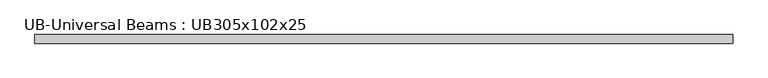
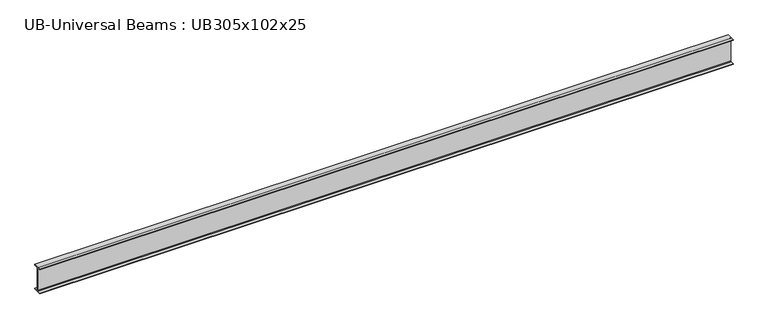
"""IFC4 building model written with IfcOpenShell, lengths in millimetres: beam geometry, UB-Universal Beams : UB305x102x25."""

import ifcopenshell
import ifcopenshell.guid

model = None  # the IFC model being written
_history = None  # IfcOwnerHistory: only IFC2X3 demands one
_inside = {}  # id of a spatial element -> (the spatial element, [elements in it])
_under = {}  # id of a project, library or spatial element -> (it, [spatial elements below it])
_declared = {}  # id of a project -> (the project, [libraries it declares])
_typed = {}  # id of a type object -> (the type object, [elements of that type])
_made_of = {}  # id of a material, layer set ... -> (it, [elements and type objects made of it])


def new_model(schema):
    """Start an empty IFC model of exactly this schema.

    Asked for "IFC4X3", IfcOpenShell would pick the latest addendum, in which some entities
    have other attributes; the version numbers below select the first issue.
    IFC2X3 requires an IfcOwnerHistory on every rooted entity: one is made here for all.
    """
    global model, _history
    if schema == "IFC4X3":
        model = ifcopenshell.file(schema_version=(4, 3, 0, 0))
    else:
        model = ifcopenshell.file(schema=schema)
    _inside.clear()
    _under.clear()
    _declared.clear()
    _typed.clear()
    _made_of.clear()
    _history = None
    if model.schema == "IFC2X3":
        org = make("IfcOrganization", Name="unknown")
        user = make(
            "IfcPersonAndOrganization",
            ThePerson=make("IfcPerson", FamilyName="unknown"),
            TheOrganization=org,
        )
        app = make(
            "IfcApplication",
            ApplicationDeveloper=org,
            Version="unknown",
            ApplicationFullName="unknown",
            ApplicationIdentifier="unknown",
        )
        _history = make(
            "IfcOwnerHistory",
            OwningUser=user,
            OwningApplication=app,
            ChangeAction="ADDED",
            CreationDate=0,
        )
    return model


def make(cls, **values):
    """One entity of the class cls with the attributes given. An attribute that is None is left unset."""
    return model.create_entity(
        cls, **{name: value for name, value in values.items() if value is not None}
    )


def rooted(cls, **values):
    """An entity with a GlobalId (a new one), such as an element, a storey or a relation."""
    return make(cls, GlobalId=ifcopenshell.guid.new(), OwnerHistory=_history, **values)


def si_unit(unit_type, name, prefix=None):
    """IfcSIUnit, for example si_unit("LENGTHUNIT", "METRE", prefix="MILLI")."""
    return make("IfcSIUnit", UnitType=unit_type, Prefix=prefix, Name=name)


def assignment(units):
    """IfcUnitAssignment: the units of a project."""
    return None if units is None else make("IfcUnitAssignment", Units=units)


def point(xyz):
    """IfcCartesianPoint."""
    return None if xyz is None else make("IfcCartesianPoint", Coordinates=xyz)


def direction(xyz):
    """IfcDirection."""
    return None if xyz is None else make("IfcDirection", DirectionRatios=xyz)


def frame(location, z_axis=None, x_axis=None):
    """IfcAxis2Placement3D, a coordinate frame: its origin and axes. An axis left out is left unset."""
    return make(
        "IfcAxis2Placement3D",
        Location=point(location),
        Axis=direction(z_axis),
        RefDirection=direction(x_axis),
    )


def frame_2d(location, x_axis=None):
    """IfcAxis2Placement2D, a coordinate frame in the plane: its origin and x axis."""
    return make(
        "IfcAxis2Placement2D", Location=point(location), RefDirection=direction(x_axis)
    )


def origin():
    """The frame at (0, 0, 0) with its axes left unset."""
    return frame((0.0, 0.0, 0.0))


def place(relative_to, where):
    """IfcLocalPlacement: puts the frame where relative to a parent placement (None: the world)."""
    return make(
        "IfcLocalPlacement", PlacementRelTo=relative_to, RelativePlacement=where
    )


def context(
    kind, dimensions, precision=None, world=None, true_north=None, identifier=None
):
    """IfcGeometricRepresentationContext, for example the 3D "Model" context."""
    return make(
        "IfcGeometricRepresentationContext",
        ContextIdentifier=identifier,
        ContextType=kind,
        CoordinateSpaceDimension=dimensions,
        Precision=precision,
        WorldCoordinateSystem=world,
        TrueNorth=true_north,
    )


def project(units=None, contexts=None):
    """IfcProject with its units and contexts."""
    return rooted(
        "IfcProject",
        Name="project",
        RepresentationContexts=contexts,
        UnitsInContext=assignment(units),
    )


def spatial(cls, under=None, at=None, **own):
    """A site, building, storey or space (cls), placed at a placement, below another one or the project."""
    s = rooted(cls, ObjectPlacement=at, **own)
    if under is not None:
        _under.setdefault(under.id(), (under, []))[1].append(s)
    return s


def polyline(points):
    """IfcPolyline through the points."""
    return make("IfcPolyline", Points=[point(p) for p in points])


def circle_curve(where, radius):
    """IfcCircle in the frame where."""
    return make("IfcCircle", Position=where, Radius=radius)


def trimmed(basis, trim1, trim2, sense, master):
    """IfcTrimmedCurve: the piece of a basis curve between two trims."""
    return make(
        "IfcTrimmedCurve",
        BasisCurve=basis,
        Trim1=trim1,
        Trim2=trim2,
        SenseAgreement=sense,
        MasterRepresentation=master,
    )


def segment(curve, same_sense, transition):
    """IfcCompositeCurveSegment."""
    return make(
        "IfcCompositeCurveSegment",
        Transition=transition,
        SameSense=same_sense,
        ParentCurve=curve,
    )


def composite_curve(segments, self_intersect=None):
    """IfcCompositeCurve: segments joined end to end."""
    return make("IfcCompositeCurve", Segments=segments, SelfIntersect=self_intersect)


def outline(outer, holes=None, kind="AREA"):
    """IfcArbitraryClosedProfileDef: a profile drawn as a closed curve; with holes, ...WithVoids."""
    if holes is None:
        return make("IfcArbitraryClosedProfileDef", ProfileType=kind, OuterCurve=outer)
    return make(
        "IfcArbitraryProfileDefWithVoids",
        ProfileType=kind,
        OuterCurve=outer,
        InnerCurves=holes,
    )


def extrude(swept, where, along, depth):
    """IfcExtrudedAreaSolid: the profile swept, set in the frame where, extruded along a direction by depth."""
    return make(
        "IfcExtrudedAreaSolid",
        SweptArea=swept,
        Position=where,
        ExtrudedDirection=direction(along),
        Depth=depth,
    )


def shape(context_of_items, identifier, shape_type, items):
    """IfcShapeRepresentation: the items that make up one representation, for example the "Body"."""
    return make(
        "IfcShapeRepresentation",
        ContextOfItems=context_of_items,
        RepresentationIdentifier=identifier,
        RepresentationType=shape_type,
        Items=items,
    )


def source(mapping_origin, context_of_items, identifier, shape_type, items):
    """IfcRepresentationMap: a shape defined once, which mapped items show again and again."""
    return make(
        "IfcRepresentationMap",
        MappingOrigin=mapping_origin,
        MappedRepresentation=shape(context_of_items, identifier, shape_type, items),
    )


def transform(
    local_origin,
    x_axis=None,
    y_axis=None,
    z_axis=None,
    scale=None,
    scale2=None,
    scale3=None,
    uniform=True,
):
    """IfcCartesianTransformationOperator3D, or its non-uniform kind. x_axis, y_axis, z_axis: its Axis1, 2, 3."""
    if uniform:
        return make(
            "IfcCartesianTransformationOperator3D",
            Axis1=direction(x_axis),
            Axis2=direction(y_axis),
            LocalOrigin=point(local_origin),
            Scale=scale,
            Axis3=direction(z_axis),
        )
    return make(
        "IfcCartesianTransformationOperator3DnonUniform",
        Axis1=direction(x_axis),
        Axis2=direction(y_axis),
        LocalOrigin=point(local_origin),
        Scale=scale,
        Axis3=direction(z_axis),
        Scale2=scale2,
        Scale3=scale3,
    )


def mapped(mapping_source, mapping_target):
    """IfcMappedItem: shows the shape of a source again, moved by a transform."""
    return make(
        "IfcMappedItem", MappingSource=mapping_source, MappingTarget=mapping_target
    )


def made_of(thing, what):
    """Note that an element or type object is made of a material, layer set ...; save() writes the relation."""
    if what is not None:
        _made_of.setdefault(what.id(), (what, []))[1].append(thing)
    return thing


def element(
    cls,
    number,
    at=None,
    inside=None,
    cuts=None,
    type_object=None,
    material=None,
    context=None,
    identifier="Body",
    shape_type=None,
    held_by="IfcProductDefinitionShape",
    body=None,
    shapes=None,
    **own,
):
    """One element of the class cls, such as IfcWall. Its Tag is "e" and its number.

    at: its placement. inside: the storey or other place that contains it. cuts: it is an
    opening in that element (IfcRelVoidsElement). A single representation is given by context,
    identifier, shape_type and body (its items); several are given by shapes. held_by: the class
    of the entity that holds the representations. save() writes the other relations.
    """
    e = rooted(cls, Tag="e%d" % number, ObjectPlacement=at, **own)
    if body is not None:
        shapes = [shape(context, identifier, shape_type, body)]
    if shapes is not None:
        e.Representation = make(held_by, Representations=shapes)
    if inside is not None:
        _inside.setdefault(inside.id(), (inside, []))[1].append(e)
    if cuts is not None:
        rooted(
            "IfcRelVoidsElement", RelatingBuildingElement=cuts, RelatedOpeningElement=e
        )
    if type_object is not None:
        _typed.setdefault(type_object.id(), (type_object, []))[1].append(e)
    return made_of(e, material)


def aggregate(whole, parts):
    """IfcRelAggregates: a whole, such as a stair, and the parts it consists of."""
    return rooted("IfcRelAggregates", RelatingObject=whole, RelatedObjects=parts)


def save(model, path):
    """Write the relations noted so far, then the file.

    IfcRelAggregates (storeys below a building ...), IfcRelContainedInSpatialStructure (elements
    in a storey), IfcRelDefinesByType, IfcRelAssociatesMaterial and IfcRelDeclares: one each for
    every whole, place, type object, material and project.
    """
    for whole, parts in _under.values():
        aggregate(whole, parts)
    for where, things in _inside.values():
        rooted(
            "IfcRelContainedInSpatialStructure",
            RelatedElements=things,
            RelatingStructure=where,
        )
    for kind, things in _typed.values():
        rooted("IfcRelDefinesByType", RelatedObjects=things, RelatingType=kind)
    for what, things in _made_of.values():
        rooted("IfcRelAssociatesMaterial", RelatedObjects=things, RelatingMaterial=what)
    for by, libraries in _declared.values():
        rooted("IfcRelDeclares", RelatingContext=by, RelatedDefinitions=libraries)
    model.write(path)


def ub_universal_beams_ub305x102x25_f4e64e74(model_context):
    return source(origin(), model_context, "Body", "SweptSolid", [
        extrude(outline(composite_curve([segment(polyline([(50.8, -145.55), (50.8, -152.55), (-50.8, -152.55), (-50.8, -145.55), (-10.5, -145.55)]), True, "CONTINUOUS"), segment(trimmed(circle_curve(frame_2d((-10.5, -137.95)), 7.6), [point((-10.5, -145.55))], [point((-2.9, -137.95))], True, "CARTESIAN"), True, "CONTINUOUS"), segment(polyline([(-2.9, -137.95), (-2.9, 137.95)]), True, "CONTINUOUS"), segment(trimmed(circle_curve(frame_2d((-10.5, 137.95)), 7.6), [point((-2.9, 137.95))], [point((-10.5, 145.55))], True, "CARTESIAN"), True, "CONTINUOUS"), segment(polyline([(-10.5, 145.55), (-50.8, 145.55), (-50.8, 152.55), (50.8, 152.55), (50.8, 145.55), (10.5, 145.55)]), True, "CONTINUOUS"), segment(trimmed(circle_curve(frame_2d((10.5, 137.95)), 7.6), [point((10.5, 145.55))], [point((2.9, 137.95))], True, "CARTESIAN"), True, "CONTINUOUS"), segment(polyline([(2.9, 137.95), (2.9, -137.95)]), True, "CONTINUOUS"), segment(trimmed(circle_curve(frame_2d((10.5, -137.95)), 7.6), [point((2.9, -137.95))], [point((10.5, -145.55))], True, "CARTESIAN"), True, "CONTINUOUS"), segment(polyline([(10.5, -145.55), (50.8, -145.55)]), True, "CONTINUOUS")], self_intersect=False)), frame((-4103.55, 0.0, 0.0), z_axis=(1.0, 0.0, 0.0), x_axis=(0.0, 1.0, 0.0)), (0.0, 0.0, 1.0), 8207.1),
    ])


if __name__ == "__main__":
    model = new_model("IFC4")
    model_context = context("Model", 3, world=origin())
    ifc_project = project(units=[si_unit("LENGTHUNIT", "METRE", prefix="MILLI")], contexts=[model_context])
    site = spatial("IfcSite", under=ifc_project)
    building = spatial("IfcBuilding", under=site)
    placement = place(None, origin())
    ub_universal_beams_ub305x102x25_shape = ub_universal_beams_ub305x102x25_f4e64e74(model_context)
    element("IfcBeam", 1, ObjectType="UB-Universal Beams : UB305x102x25", at=placement, inside=building, context=model_context, shape_type="MappedRepresentation", body=[
        mapped(ub_universal_beams_ub305x102x25_shape, transform((0.0, 0.0, 0.0), x_axis=(1.0, 0.0, 0.0), y_axis=(0.0, 1.0, 0.0), z_axis=(0.0, 0.0, 1.0))),
    ])
    save(model, "model.ifc")
